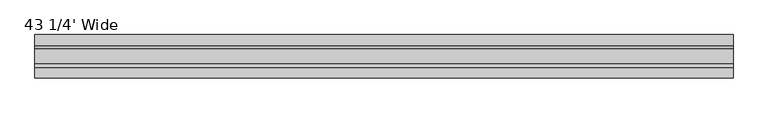
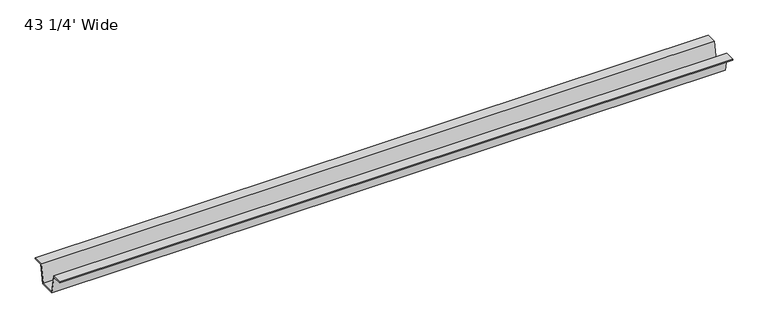
"""IFC4 building model written with IfcOpenShell, lengths in millimetres: furniture geometry, 43 1/4' Wide."""

from ifc_helpers import new_model, si_unit, frame, origin, place, context, project, spatial, polyline, outline, extrude, source, transform, mapped, element, save


def furniture_43_1_4_wide_1736df30(model_context):
    return source(origin(), model_context, "Body", "SweptSolid", [
        extrude(outline(polyline([(137.3862362, -1.524), (121.485835, -1.524), (115.9232385, -31.7499992), (90.5232355, -31.7499992), (84.960639, -1.524), (69.0602378, -1.524), (69.0602378, 0.0), (85.9714992, 0.0), (91.5808402, -30.4799992), (114.8656337, -30.4799992), (120.4749747, 0.0), (137.3862362, 0.0), (137.3862362, -1.524)])), frame((56.104992, 0.0, 0.0), z_axis=(1.0, 0.0, 0.0), x_axis=(0.0, 1.0, 0.0)), (0.0, 0.0, 1.0), 1098.55),
    ])


if __name__ == "__main__":
    model = new_model("IFC4")
    model_context = context("Model", 3, world=origin())
    ifc_project = project(units=[si_unit("LENGTHUNIT", "METRE", prefix="MILLI")], contexts=[model_context])
    site = spatial("IfcSite", under=ifc_project)
    building = spatial("IfcBuilding", under=site)
    placement = place(None, origin())
    furniture_43_1_4_wide_shape = furniture_43_1_4_wide_1736df30(model_context)
    element("IfcFurniture", 1, ObjectType="43 1/4' Wide", at=placement, inside=building, context=model_context, shape_type="MappedRepresentation", body=[
        mapped(furniture_43_1_4_wide_shape, transform((0.0, 0.0, 0.0), x_axis=(1.0, 0.0, 0.0), y_axis=(0.0, 1.0, 0.0), z_axis=(0.0, 0.0, 1.0))),
    ])
    save(model, "model.ifc")
